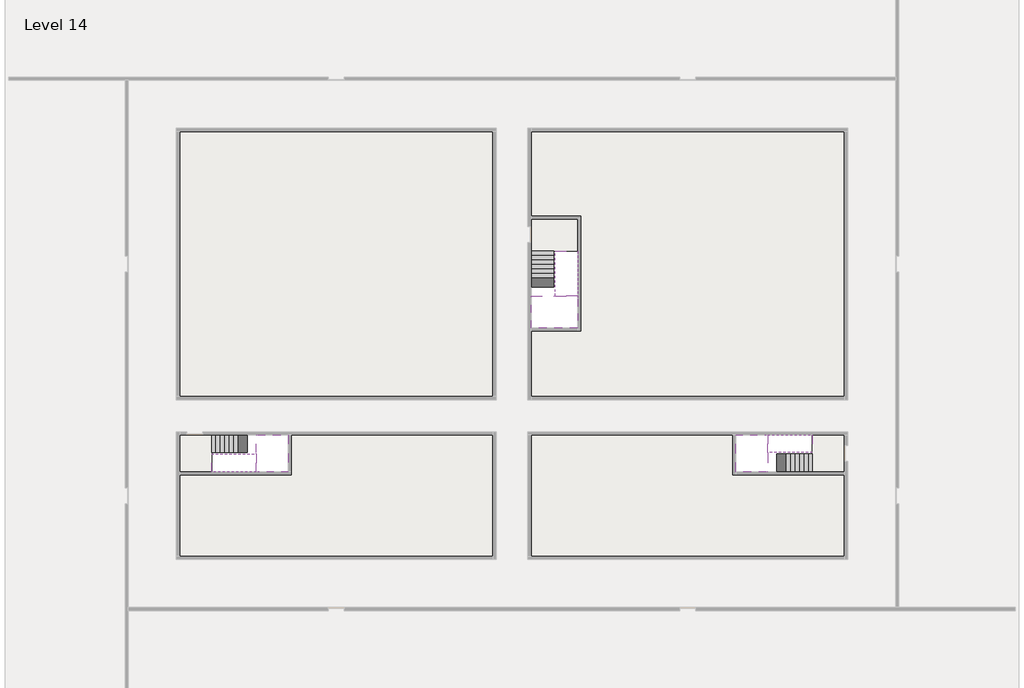
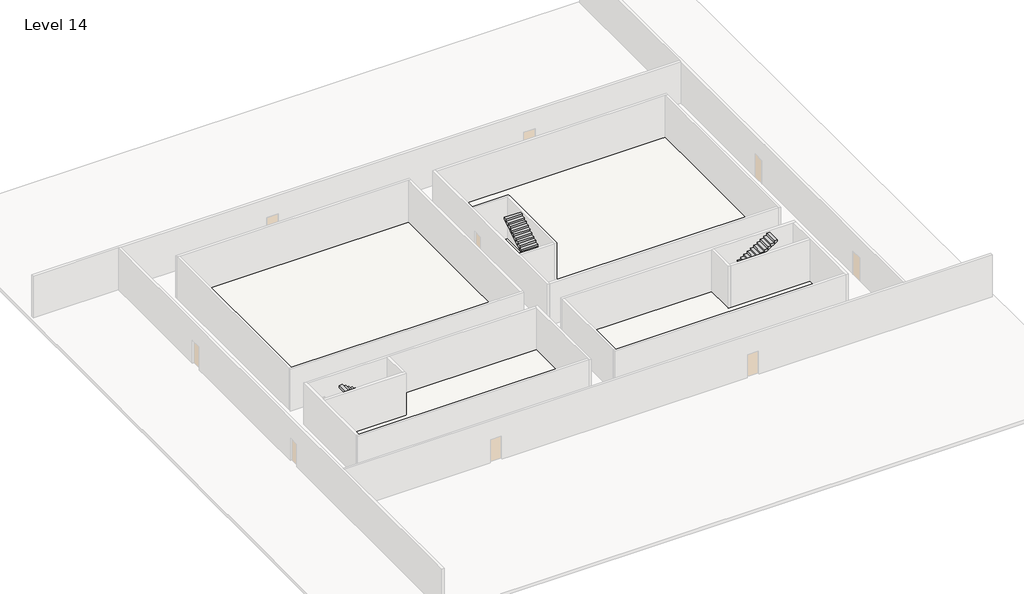
# One storey, part 2 of 2: 6 stair flights, 5 slabs.
"""IFC4 building model written with IfcOpenShell, lengths in millimetres."""

from ifc_helpers import new_model, si_unit, frame, origin, place, context, project, spatial, polyline, outline, extrude, faceted_brep, element, save

model = new_model("IFC4")

# Units and contexts
model_context = context("Model", 3, world=origin())
ifc_project = project(units=[si_unit("LENGTHUNIT", "METRE", prefix="MILLI")], contexts=[model_context])

# Site, building, storey
site = spatial("IfcSite", under=ifc_project)
building = spatial("IfcBuilding", under=site)
storey = spatial("IfcBuildingStorey", under=building, Name="Level 14", Elevation=49400.0)

# Slabs
placement = place(None, origin())
element("IfcSlab", 1, at=placement, inside=storey, context=model_context, shape_type="Brep", body=[
    faceted_brep([(8190.1058784, -42918.09644, 51300.0), (8190.1058784, -44018.09644, 51300.0), (8190.1058784, -44118.09644, 51300.0), (8190.1058784, -45218.09644, 51300.0), (8390.7194421, -45218.09644, 51300.0), (10190.1058784, -45218.09644, 51300.0), (10190.1058784, -42918.09644, 51300.0), (8269.4923146, -42918.09644, 51300.0), (8190.1058784, -42918.09644, 51127.2727273), (8190.1058784, -42918.09644, 50951.0278478), (8190.1058784, -44018.09644, 50951.0278478), (8190.1058784, -44018.09644, 51000.0), (8190.1058784, -44118.09644, 51000.0), (8190.1058784, -44118.09644, 51123.7551205), (8190.1058784, -45218.09644, 51123.7551205), (8390.7194421, -45218.09644, 51000.0), (10190.1058784, -45218.09644, 51000.0), (10190.1058784, -42918.09644, 51000.0), (8269.4923146, -42918.09644, 51000.0), (8390.7194421, -44118.09644, 51000.0), (8269.4923146, -44018.09644, 51000.0)], [[[0, 1, 2, 3, 4, 5, 6, 7]], [[1, 0, 8, 9, 10, 11]], [[2, 1, 11, 12, 13]], [[3, 2, 13, 14]], [[3, 14, 15, 16, 5, 4]], [[6, 5, 16, 17]], [[9, 8, 0, 7, 6, 17, 18]], [[19, 12, 11, 20, 18, 17, 16, 15]], [[12, 19, 13]], [[18, 20, 10, 9]], [[20, 11, 10]], [[19, 15, 14, 13]]]),
])
element("IfcSlab", 2, at=placement, inside=storey, context=model_context, shape_type="Brep", body=[
    faceted_brep([(40190.1058784, -45218.09644, 51300.0), (40190.1058784, -44118.09644, 51300.0), (40190.1058784, -44018.09644, 51300.0), (40190.1058784, -42918.09644, 51300.0), (39989.4923146, -42918.09644, 51300.0), (38190.1058784, -42918.09644, 51300.0), (38190.1058784, -45218.09644, 51300.0), (40110.7194421, -45218.09644, 51300.0), (40190.1058784, -45218.09644, 51127.2727273), (40190.1058784, -45218.09644, 50951.0278478), (40190.1058784, -44118.09644, 50951.0278478), (40190.1058784, -44118.09644, 51000.0), (40190.1058784, -44018.09644, 51000.0), (40190.1058784, -44018.09644, 51123.7551205), (40190.1058784, -42918.09644, 51123.7551205), (39989.4923146, -42918.09644, 51000.0), (38190.1058784, -42918.09644, 51000.0), (38190.1058784, -45218.09644, 51000.0), (40110.7194421, -45218.09644, 51000.0), (39989.4923146, -44018.09644, 51000.0), (40110.7194421, -44118.09644, 51000.0)], [[[0, 1, 2, 3, 4, 5, 6, 7]], [[1, 0, 8, 9, 10, 11]], [[2, 1, 11, 12, 13]], [[3, 2, 13, 14]], [[3, 14, 15, 16, 5, 4]], [[6, 5, 16, 17]], [[9, 8, 0, 7, 6, 17, 18]], [[19, 12, 11, 20, 18, 17, 16, 15]], [[12, 19, 13]], [[18, 20, 10, 9]], [[20, 11, 10]], [[19, 15, 14, 13]]]),
])
element("IfcSlab", 3, at=placement, inside=storey, context=model_context, shape_type="Brep", body=[
    faceted_brep([(26790.1058784, -34218.09644, 51300.0), (25390.1058784, -34218.09644, 51300.0), (25390.1058784, -34297.4828763, 51300.0), (25390.1058784, -36218.09644, 51300.0), (28290.1058784, -36218.09644, 51300.0), (28290.1058784, -34418.7100038, 51300.0), (28290.1058784, -34218.09644, 51300.0), (26890.1058784, -34218.09644, 51300.0), (26790.1058784, -34218.09644, 51000.0), (26790.1058784, -34218.09644, 50951.0278478), (25390.1058784, -34218.09644, 50951.0278478), (25390.1058784, -34218.09644, 51127.2727273), (25390.1058784, -34297.4828763, 51000.0), (25390.1058784, -36218.09644, 51000.0), (28290.1058784, -36218.09644, 51000.0), (28290.1058784, -34418.7100038, 51000.0), (28290.1058784, -34218.09644, 51123.7551205), (26890.1058784, -34218.09644, 51123.7551205), (26890.1058784, -34218.09644, 51000.0), (26890.1058784, -34418.7100038, 51000.0), (26790.1058784, -34297.4828763, 51000.0)], [[[0, 1, 2, 3, 4, 5, 6, 7]], [[1, 0, 8, 9, 10, 11]], [[1, 11, 10, 12, 13, 3, 2]], [[4, 3, 13, 14]], [[4, 14, 15, 16, 6, 5]], [[7, 6, 16, 17]], [[0, 7, 17, 18, 8]], [[18, 19, 15, 14, 13, 12, 20, 8]], [[19, 18, 17]], [[20, 12, 10, 9]], [[8, 20, 9]], [[15, 19, 17, 16]]]),
])
element("IfcSlab", 4, at=placement, inside=storey, context=model_context, shape_type="SweptSolid", body=[
    extrude(outline(polyline([(22990.1058784, -23918.09644), (22990.1058784, -40518.09644), (3390.1058784, -40518.09644), (3390.1058784, -23918.09644), (22990.1058784, -23918.09644)])), frame((0.0, 0.0, 49100.0), z_axis=(0.0, 0.0, 1.0), x_axis=(1.0, 0.0, 0.0)), (0.0, 0.0, 1.0), 300.0),
    extrude(outline(polyline([(44990.1058784, -23918.09644), (44990.1058784, -40518.09644), (25390.1058784, -40518.09644), (25390.1058784, -36418.09644), (28490.1058784, -36418.09644), (28490.1058784, -29218.09644), (25390.1058784, -29218.09644), (25390.1058784, -23918.09644), (44990.1058784, -23918.09644)])), frame((0.0, 0.0, 49100.0), z_axis=(0.0, 0.0, 1.0), x_axis=(1.0, 0.0, 0.0)), (0.0, 0.0, 1.0), 300.0),
    extrude(outline(polyline([(22990.1058784, -42918.09644), (22990.1058784, -50518.09644), (3390.1058784, -50518.09644), (3390.1058784, -45418.09644), (10390.1058784, -45418.09644), (10390.1058784, -42918.09644), (22990.1058784, -42918.09644)])), frame((0.0, 0.0, 49100.0), z_axis=(0.0, 0.0, 1.0), x_axis=(1.0, 0.0, 0.0)), (0.0, 0.0, 1.0), 300.0),
    extrude(outline(polyline([(37990.1058784, -42918.09644), (37990.1058784, -45418.09644), (44990.1058784, -45418.09644), (44990.1058784, -50518.09644), (25390.1058784, -50518.09644), (25390.1058784, -42918.09644), (37990.1058784, -42918.09644)])), frame((0.0, 0.0, 49100.0), z_axis=(0.0, 0.0, 1.0), x_axis=(1.0, 0.0, 0.0)), (0.0, 0.0, 1.0), 300.0),
])
element("IfcSlab", 5, at=placement, inside=storey, context=model_context, shape_type="SweptSolid", body=[
    extrude(outline(polyline([(44990.1058784, -42918.09644), (44990.1058784, -45218.09644), (42990.1058784, -45218.09644), (42990.1058784, -42918.09644), (44990.1058784, -42918.09644)])), frame((0.0, 0.0, 49100.0), z_axis=(0.0, 0.0, 1.0), x_axis=(1.0, 0.0, 0.0)), (0.0, 0.0, 1.0), 300.0),
    extrude(outline(polyline([(5390.1058784, -42918.09644), (5390.1058784, -45218.09644), (3390.1058784, -45218.09644), (3390.1058784, -42918.09644), (5390.1058784, -42918.09644)])), frame((0.0, 0.0, 49100.0), z_axis=(0.0, 0.0, 1.0), x_axis=(1.0, 0.0, 0.0)), (0.0, 0.0, 1.0), 300.0),
    extrude(outline(polyline([(28290.1058784, -29418.09644), (28290.1058784, -31418.09644), (25390.1058784, -31418.09644), (25390.1058784, -29418.09644), (28290.1058784, -29418.09644)])), frame((0.0, 0.0, 49100.0), z_axis=(0.0, 0.0, 1.0), x_axis=(1.0, 0.0, 0.0)), (0.0, 0.0, 1.0), 300.0),
])

# Stair flights
element("IfcStairFlight", 6, at=placement, inside=storey, context=model_context, shape_type="Brep", body=[
    faceted_brep([(5670.1058784, -42918.09644, 49572.7272727), (5390.1058784, -42918.09644, 49572.7272727), (5390.1058784, -44018.09644, 49572.7272727), (5670.1058784, -44018.09644, 49572.7272727), (5670.1058784, -42918.09644, 49400.0), (5390.1058784, -42918.09644, 49400.0), (5390.1058784, -44018.09644, 49400.0), (5670.1058784, -44018.09644, 49400.0), (5950.1058784, -42918.09644, 49745.4545455), (5670.1058784, -42918.09644, 49745.4545455), (5670.1058784, -44018.09644, 49745.4545455), (5950.1058784, -44018.09644, 49745.4545455), (5950.1058784, -42918.09644, 49569.209666), (5675.8081041, -42918.09644, 49400.0), (5675.8081041, -44018.09644, 49400.0), (5950.1058784, -44018.09644, 49569.209666), (6230.1058784, -42918.09644, 49918.1818182), (5950.1058784, -42918.09644, 49918.1818182), (5950.1058784, -44018.09644, 49918.1818182), (6230.1058784, -44018.09644, 49918.1818182), (6230.1058784, -42918.09644, 49741.9369387), (6230.1058784, -44018.09644, 49741.9369387), (6510.1058784, -42918.09644, 50090.9090909), (6230.1058784, -42918.09644, 50090.9090909), (6230.1058784, -44018.09644, 50090.9090909), (6510.1058784, -44018.09644, 50090.9090909), (6510.1058784, -42918.09644, 49914.6642114), (6510.1058784, -44018.09644, 49914.6642114), (6790.1058784, -42918.09644, 50263.6363636), (6510.1058784, -42918.09644, 50263.6363636), (6510.1058784, -44018.09644, 50263.6363636), (6790.1058784, -44018.09644, 50263.6363636), (6790.1058784, -42918.09644, 50087.3914841), (6790.1058784, -44018.09644, 50087.3914841), (7070.1058784, -42918.09644, 50436.3636364), (6790.1058784, -42918.09644, 50436.3636364), (6790.1058784, -44018.09644, 50436.3636364), (7070.1058784, -44018.09644, 50436.3636364), (7070.1058784, -42918.09644, 50260.1187569), (7070.1058784, -44018.09644, 50260.1187569), (7350.1058784, -42918.09644, 50609.0909091), (7070.1058784, -42918.09644, 50609.0909091), (7070.1058784, -44018.09644, 50609.0909091), (7350.1058784, -44018.09644, 50609.0909091), (7350.1058784, -42918.09644, 50432.8460296), (7350.1058784, -44018.09644, 50432.8460296), (7630.1058784, -42918.09644, 50781.8181818), (7350.1058784, -42918.09644, 50781.8181818), (7350.1058784, -44018.09644, 50781.8181818), (7630.1058784, -44018.09644, 50781.8181818), (7630.1058784, -42918.09644, 50605.5733023), (7630.1058784, -44018.09644, 50605.5733023), (7910.1058784, -42918.09644, 50954.5454545), (7630.1058784, -42918.09644, 50954.5454545), (7630.1058784, -44018.09644, 50954.5454545), (7910.1058784, -44018.09644, 50954.5454545), (7910.1058784, -42918.09644, 50778.3005751), (7910.1058784, -44018.09644, 50778.3005751), (8190.1058784, -42918.09644, 51127.2727273), (7910.1058784, -42918.09644, 51127.2727273), (7910.1058784, -44018.09644, 51127.2727273), (8190.1058784, -44018.09644, 51127.2727273), (8190.1058784, -42918.09644, 50951.0278478), (8190.1058784, -44018.09644, 50951.0278478), (8190.1058784, -44018.09644, 51000.0)], [[[0, 1, 2, 3]], [[1, 0, 4, 5]], [[2, 1, 5, 6]], [[3, 2, 6, 7]], [[8, 9, 10, 11]], [[4, 0, 9, 8, 12, 13]], [[0, 3, 10, 9]], [[3, 7, 14, 15, 11, 10]], [[16, 17, 18, 19]], [[17, 16, 20, 12, 8]], [[8, 11, 18, 17]], [[19, 18, 11, 15, 21]], [[22, 23, 24, 25]], [[23, 22, 26, 20, 16]], [[16, 19, 24, 23]], [[25, 24, 19, 21, 27]], [[28, 29, 30, 31]], [[29, 28, 32, 26, 22]], [[22, 25, 30, 29]], [[31, 30, 25, 27, 33]], [[34, 35, 36, 37]], [[35, 34, 38, 32, 28]], [[28, 31, 36, 35]], [[37, 36, 31, 33, 39]], [[40, 41, 42, 43]], [[41, 40, 44, 38, 34]], [[34, 37, 42, 41]], [[43, 42, 37, 39, 45]], [[46, 47, 48, 49]], [[47, 46, 50, 44, 40]], [[40, 43, 48, 47]], [[49, 48, 43, 45, 51]], [[52, 53, 54, 55]], [[53, 52, 56, 50, 46]], [[46, 49, 54, 53]], [[55, 54, 49, 51, 57]], [[58, 59, 60, 61]], [[59, 58, 62, 56, 52]], [[52, 55, 60, 59]], [[61, 60, 55, 57, 63, 64]], [[58, 61, 64, 63, 62]], [[5, 4, 13, 14, 7, 6]], [[14, 13, 12, 20, 26, 32, 38, 44, 50, 56, 62, 63, 57, 51, 45, 39, 33, 27, 21, 15]]]),
])
element("IfcStairFlight", 7, at=placement, inside=storey, context=model_context, shape_type="Brep", body=[
    faceted_brep([(7910.1058784, -45218.09644, 51472.7272727), (8190.1058784, -45218.09644, 51472.7272727), (8190.1058784, -44118.09644, 51472.7272727), (7910.1058784, -44118.09644, 51472.7272727), (7910.1058784, -45218.09644, 51296.4823932), (8190.1058784, -45218.09644, 51123.7551205), (8190.1058784, -45218.09644, 51300.0), (8190.1058784, -44118.09644, 51123.7551205), (7910.1058784, -44118.09644, 51296.4823932), (7630.1058784, -45218.09644, 51645.4545455), (7910.1058784, -45218.09644, 51645.4545455), (7910.1058784, -44118.09644, 51645.4545455), (7630.1058784, -44118.09644, 51645.4545455), (7630.1058784, -45218.09644, 51469.209666), (7630.1058784, -44118.09644, 51469.209666), (7350.1058784, -45218.09644, 51818.1818182), (7630.1058784, -45218.09644, 51818.1818182), (7630.1058784, -44118.09644, 51818.1818182), (7350.1058784, -44118.09644, 51818.1818182), (7350.1058784, -45218.09644, 51641.9369387), (7350.1058784, -44118.09644, 51641.9369387), (7070.1058784, -45218.09644, 51990.9090909), (7350.1058784, -45218.09644, 51990.9090909), (7350.1058784, -44118.09644, 51990.9090909), (7070.1058784, -44118.09644, 51990.9090909), (7070.1058784, -45218.09644, 51814.6642114), (7070.1058784, -44118.09644, 51814.6642114), (6790.1058784, -45218.09644, 52163.6363636), (7070.1058784, -45218.09644, 52163.6363636), (7070.1058784, -44118.09644, 52163.6363636), (6790.1058784, -44118.09644, 52163.6363636), (6790.1058784, -45218.09644, 51987.3914841), (6790.1058784, -44118.09644, 51987.3914841), (6510.1058784, -45218.09644, 52336.3636364), (6790.1058784, -45218.09644, 52336.3636364), (6790.1058784, -44118.09644, 52336.3636364), (6510.1058784, -44118.09644, 52336.3636364), (6510.1058784, -45218.09644, 52160.1187569), (6510.1058784, -44118.09644, 52160.1187569), (6230.1058784, -45218.09644, 52509.0909091), (6510.1058784, -45218.09644, 52509.0909091), (6510.1058784, -44118.09644, 52509.0909091), (6230.1058784, -44118.09644, 52509.0909091), (6230.1058784, -45218.09644, 52332.8460296), (6230.1058784, -44118.09644, 52332.8460296), (5950.1058784, -45218.09644, 52681.8181818), (6230.1058784, -45218.09644, 52681.8181818), (6230.1058784, -44118.09644, 52681.8181818), (5950.1058784, -44118.09644, 52681.8181818), (5950.1058784, -45218.09644, 52505.5733023), (5950.1058784, -44118.09644, 52505.5733023), (5670.1058784, -45218.09644, 52854.5454545), (5950.1058784, -45218.09644, 52854.5454545), (5950.1058784, -44118.09644, 52854.5454545), (5670.1058784, -44118.09644, 52854.5454545), (5670.1058784, -45218.09644, 52678.3005751), (5670.1058784, -44118.09644, 52678.3005751), (5390.1058784, -45218.09644, 53027.2727273), (5670.1058784, -45218.09644, 53027.2727273), (5670.1058784, -44118.09644, 53027.2727273), (5390.1058784, -44118.09644, 53027.2727273), (5390.1058784, -45218.09644, 52851.0278478), (5390.1058784, -44118.09644, 52851.0278478)], [[[0, 1, 2, 3]], [[1, 0, 4, 5, 6]], [[2, 1, 6, 5, 7]], [[3, 2, 7, 8]], [[9, 10, 11, 12]], [[10, 9, 13, 4, 0]], [[11, 10, 0, 3]], [[12, 11, 3, 8, 14]], [[15, 16, 17, 18]], [[16, 15, 19, 13, 9]], [[17, 16, 9, 12]], [[18, 17, 12, 14, 20]], [[21, 22, 23, 24]], [[22, 21, 25, 19, 15]], [[23, 22, 15, 18]], [[24, 23, 18, 20, 26]], [[27, 28, 29, 30]], [[28, 27, 31, 25, 21]], [[29, 28, 21, 24]], [[30, 29, 24, 26, 32]], [[33, 34, 35, 36]], [[34, 33, 37, 31, 27]], [[35, 34, 27, 30]], [[36, 35, 30, 32, 38]], [[39, 40, 41, 42]], [[40, 39, 43, 37, 33]], [[41, 40, 33, 36]], [[42, 41, 36, 38, 44]], [[45, 46, 47, 48]], [[46, 45, 49, 43, 39]], [[47, 46, 39, 42]], [[48, 47, 42, 44, 50]], [[51, 52, 53, 54]], [[52, 51, 55, 49, 45]], [[53, 52, 45, 48]], [[54, 53, 48, 50, 56]], [[57, 58, 59, 60]], [[58, 57, 61, 55, 51]], [[59, 58, 51, 54]], [[60, 59, 54, 56, 62]], [[57, 60, 62, 61]], [[5, 4, 13, 19, 25, 31, 37, 43, 49, 55, 61, 62, 56, 50, 44, 38, 32, 26, 20, 14, 8, 7]]]),
])
element("IfcStairFlight", 8, at=placement, inside=storey, context=model_context, shape_type="Brep", body=[
    faceted_brep([(42710.1058784, -45218.09644, 49572.7272727), (42990.1058784, -45218.09644, 49572.7272727), (42990.1058784, -44118.09644, 49572.7272727), (42710.1058784, -44118.09644, 49572.7272727), (42710.1058784, -45218.09644, 49400.0), (42990.1058784, -45218.09644, 49400.0), (42990.1058784, -44118.09644, 49400.0), (42710.1058784, -44118.09644, 49400.0), (42430.1058784, -45218.09644, 49745.4545455), (42710.1058784, -45218.09644, 49745.4545455), (42710.1058784, -44118.09644, 49745.4545455), (42430.1058784, -44118.09644, 49745.4545455), (42430.1058784, -45218.09644, 49569.209666), (42704.4036527, -45218.09644, 49400.0), (42704.4036527, -44118.09644, 49400.0), (42430.1058784, -44118.09644, 49569.209666), (42150.1058784, -45218.09644, 49918.1818182), (42430.1058784, -45218.09644, 49918.1818182), (42430.1058784, -44118.09644, 49918.1818182), (42150.1058784, -44118.09644, 49918.1818182), (42150.1058784, -45218.09644, 49741.9369387), (42150.1058784, -44118.09644, 49741.9369387), (41870.1058784, -45218.09644, 50090.9090909), (42150.1058784, -45218.09644, 50090.9090909), (42150.1058784, -44118.09644, 50090.9090909), (41870.1058784, -44118.09644, 50090.9090909), (41870.1058784, -45218.09644, 49914.6642114), (41870.1058784, -44118.09644, 49914.6642114), (41590.1058784, -45218.09644, 50263.6363636), (41870.1058784, -45218.09644, 50263.6363636), (41870.1058784, -44118.09644, 50263.6363636), (41590.1058784, -44118.09644, 50263.6363636), (41590.1058784, -45218.09644, 50087.3914841), (41590.1058784, -44118.09644, 50087.3914841), (41310.1058784, -45218.09644, 50436.3636364), (41590.1058784, -45218.09644, 50436.3636364), (41590.1058784, -44118.09644, 50436.3636364), (41310.1058784, -44118.09644, 50436.3636364), (41310.1058784, -45218.09644, 50260.1187569), (41310.1058784, -44118.09644, 50260.1187569), (41030.1058784, -45218.09644, 50609.0909091), (41310.1058784, -45218.09644, 50609.0909091), (41310.1058784, -44118.09644, 50609.0909091), (41030.1058784, -44118.09644, 50609.0909091), (41030.1058784, -45218.09644, 50432.8460296), (41030.1058784, -44118.09644, 50432.8460296), (40750.1058784, -45218.09644, 50781.8181818), (41030.1058784, -45218.09644, 50781.8181818), (41030.1058784, -44118.09644, 50781.8181818), (40750.1058784, -44118.09644, 50781.8181818), (40750.1058784, -45218.09644, 50605.5733023), (40750.1058784, -44118.09644, 50605.5733023), (40470.1058784, -45218.09644, 50954.5454545), (40750.1058784, -45218.09644, 50954.5454545), (40750.1058784, -44118.09644, 50954.5454545), (40470.1058784, -44118.09644, 50954.5454545), (40470.1058784, -45218.09644, 50778.3005751), (40470.1058784, -44118.09644, 50778.3005751), (40190.1058784, -45218.09644, 51127.2727273), (40470.1058784, -45218.09644, 51127.2727273), (40470.1058784, -44118.09644, 51127.2727273), (40190.1058784, -44118.09644, 51127.2727273), (40190.1058784, -45218.09644, 50951.0278478), (40190.1058784, -44118.09644, 50951.0278478), (40190.1058784, -44118.09644, 51000.0)], [[[0, 1, 2, 3]], [[1, 0, 4, 5]], [[2, 1, 5, 6]], [[3, 2, 6, 7]], [[8, 9, 10, 11]], [[4, 0, 9, 8, 12, 13]], [[0, 3, 10, 9]], [[3, 7, 14, 15, 11, 10]], [[16, 17, 18, 19]], [[17, 16, 20, 12, 8]], [[8, 11, 18, 17]], [[19, 18, 11, 15, 21]], [[22, 23, 24, 25]], [[23, 22, 26, 20, 16]], [[16, 19, 24, 23]], [[25, 24, 19, 21, 27]], [[28, 29, 30, 31]], [[29, 28, 32, 26, 22]], [[22, 25, 30, 29]], [[31, 30, 25, 27, 33]], [[34, 35, 36, 37]], [[35, 34, 38, 32, 28]], [[28, 31, 36, 35]], [[37, 36, 31, 33, 39]], [[40, 41, 42, 43]], [[41, 40, 44, 38, 34]], [[34, 37, 42, 41]], [[43, 42, 37, 39, 45]], [[46, 47, 48, 49]], [[47, 46, 50, 44, 40]], [[40, 43, 48, 47]], [[49, 48, 43, 45, 51]], [[52, 53, 54, 55]], [[53, 52, 56, 50, 46]], [[46, 49, 54, 53]], [[55, 54, 49, 51, 57]], [[58, 59, 60, 61]], [[59, 58, 62, 56, 52]], [[52, 55, 60, 59]], [[61, 60, 55, 57, 63, 64]], [[58, 61, 64, 63, 62]], [[5, 4, 13, 14, 7, 6]], [[14, 13, 12, 20, 26, 32, 38, 44, 50, 56, 62, 63, 57, 51, 45, 39, 33, 27, 21, 15]]]),
])
element("IfcStairFlight", 9, at=placement, inside=storey, context=model_context, shape_type="Brep", body=[
    faceted_brep([(40470.1058784, -42918.09644, 51472.7272727), (40190.1058784, -42918.09644, 51472.7272727), (40190.1058784, -44018.09644, 51472.7272727), (40470.1058784, -44018.09644, 51472.7272727), (40470.1058784, -42918.09644, 51296.4823932), (40190.1058784, -42918.09644, 51123.7551205), (40190.1058784, -42918.09644, 51300.0), (40190.1058784, -44018.09644, 51123.7551205), (40470.1058784, -44018.09644, 51296.4823932), (40750.1058784, -42918.09644, 51645.4545455), (40470.1058784, -42918.09644, 51645.4545455), (40470.1058784, -44018.09644, 51645.4545455), (40750.1058784, -44018.09644, 51645.4545455), (40750.1058784, -42918.09644, 51469.209666), (40750.1058784, -44018.09644, 51469.209666), (41030.1058784, -42918.09644, 51818.1818182), (40750.1058784, -42918.09644, 51818.1818182), (40750.1058784, -44018.09644, 51818.1818182), (41030.1058784, -44018.09644, 51818.1818182), (41030.1058784, -42918.09644, 51641.9369387), (41030.1058784, -44018.09644, 51641.9369387), (41310.1058784, -42918.09644, 51990.9090909), (41030.1058784, -42918.09644, 51990.9090909), (41030.1058784, -44018.09644, 51990.9090909), (41310.1058784, -44018.09644, 51990.9090909), (41310.1058784, -42918.09644, 51814.6642114), (41310.1058784, -44018.09644, 51814.6642114), (41590.1058784, -42918.09644, 52163.6363636), (41310.1058784, -42918.09644, 52163.6363636), (41310.1058784, -44018.09644, 52163.6363636), (41590.1058784, -44018.09644, 52163.6363636), (41590.1058784, -42918.09644, 51987.3914841), (41590.1058784, -44018.09644, 51987.3914841), (41870.1058784, -42918.09644, 52336.3636364), (41590.1058784, -42918.09644, 52336.3636364), (41590.1058784, -44018.09644, 52336.3636364), (41870.1058784, -44018.09644, 52336.3636364), (41870.1058784, -42918.09644, 52160.1187569), (41870.1058784, -44018.09644, 52160.1187569), (42150.1058784, -42918.09644, 52509.0909091), (41870.1058784, -42918.09644, 52509.0909091), (41870.1058784, -44018.09644, 52509.0909091), (42150.1058784, -44018.09644, 52509.0909091), (42150.1058784, -42918.09644, 52332.8460296), (42150.1058784, -44018.09644, 52332.8460296), (42430.1058784, -42918.09644, 52681.8181818), (42150.1058784, -42918.09644, 52681.8181818), (42150.1058784, -44018.09644, 52681.8181818), (42430.1058784, -44018.09644, 52681.8181818), (42430.1058784, -42918.09644, 52505.5733023), (42430.1058784, -44018.09644, 52505.5733023), (42710.1058784, -42918.09644, 52854.5454545), (42430.1058784, -42918.09644, 52854.5454545), (42430.1058784, -44018.09644, 52854.5454545), (42710.1058784, -44018.09644, 52854.5454545), (42710.1058784, -42918.09644, 52678.3005751), (42710.1058784, -44018.09644, 52678.3005751), (42990.1058784, -42918.09644, 53027.2727273), (42710.1058784, -42918.09644, 53027.2727273), (42710.1058784, -44018.09644, 53027.2727273), (42990.1058784, -44018.09644, 53027.2727273), (42990.1058784, -42918.09644, 52851.0278478), (42990.1058784, -44018.09644, 52851.0278478)], [[[0, 1, 2, 3]], [[1, 0, 4, 5, 6]], [[2, 1, 6, 5, 7]], [[3, 2, 7, 8]], [[9, 10, 11, 12]], [[10, 9, 13, 4, 0]], [[11, 10, 0, 3]], [[12, 11, 3, 8, 14]], [[15, 16, 17, 18]], [[16, 15, 19, 13, 9]], [[17, 16, 9, 12]], [[18, 17, 12, 14, 20]], [[21, 22, 23, 24]], [[22, 21, 25, 19, 15]], [[23, 22, 15, 18]], [[24, 23, 18, 20, 26]], [[27, 28, 29, 30]], [[28, 27, 31, 25, 21]], [[29, 28, 21, 24]], [[30, 29, 24, 26, 32]], [[33, 34, 35, 36]], [[34, 33, 37, 31, 27]], [[35, 34, 27, 30]], [[36, 35, 30, 32, 38]], [[39, 40, 41, 42]], [[40, 39, 43, 37, 33]], [[41, 40, 33, 36]], [[42, 41, 36, 38, 44]], [[45, 46, 47, 48]], [[46, 45, 49, 43, 39]], [[47, 46, 39, 42]], [[48, 47, 42, 44, 50]], [[51, 52, 53, 54]], [[52, 51, 55, 49, 45]], [[53, 52, 45, 48]], [[54, 53, 48, 50, 56]], [[57, 58, 59, 60]], [[58, 57, 61, 55, 51]], [[59, 58, 51, 54]], [[60, 59, 54, 56, 62]], [[57, 60, 62, 61]], [[5, 4, 13, 19, 25, 31, 37, 43, 49, 55, 61, 62, 56, 50, 44, 38, 32, 26, 20, 14, 8, 7]]]),
])
element("IfcStairFlight", 10, at=placement, inside=storey, context=model_context, shape_type="Brep", body=[
    faceted_brep([(26790.1058784, -31698.09644, 49572.7272727), (26790.1058784, -31418.09644, 49572.7272727), (25390.1058784, -31418.09644, 49572.7272727), (25390.1058784, -31698.09644, 49572.7272727), (26790.1058784, -31698.09644, 49400.0), (26790.1058784, -31418.09644, 49400.0), (25390.1058784, -31418.09644, 49400.0), (25390.1058784, -31698.09644, 49400.0), (26790.1058784, -31978.09644, 49745.4545455), (26790.1058784, -31698.09644, 49745.4545455), (25390.1058784, -31698.09644, 49745.4545455), (25390.1058784, -31978.09644, 49745.4545455), (26790.1058784, -31978.09644, 49569.209666), (26790.1058784, -31703.7986657, 49400.0), (25390.1058784, -31703.7986657, 49400.0), (25390.1058784, -31978.09644, 49569.209666), (26790.1058784, -32258.09644, 49918.1818182), (26790.1058784, -31978.09644, 49918.1818182), (25390.1058784, -31978.09644, 49918.1818182), (25390.1058784, -32258.09644, 49918.1818182), (26790.1058784, -32258.09644, 49741.9369387), (25390.1058784, -32258.09644, 49741.9369387), (26790.1058784, -32538.09644, 50090.9090909), (26790.1058784, -32258.09644, 50090.9090909), (25390.1058784, -32258.09644, 50090.9090909), (25390.1058784, -32538.09644, 50090.9090909), (26790.1058784, -32538.09644, 49914.6642114), (25390.1058784, -32538.09644, 49914.6642114), (26790.1058784, -32818.09644, 50263.6363636), (26790.1058784, -32538.09644, 50263.6363636), (25390.1058784, -32538.09644, 50263.6363636), (25390.1058784, -32818.09644, 50263.6363636), (26790.1058784, -32818.09644, 50087.3914841), (25390.1058784, -32818.09644, 50087.3914841), (26790.1058784, -33098.09644, 50436.3636364), (26790.1058784, -32818.09644, 50436.3636364), (25390.1058784, -32818.09644, 50436.3636364), (25390.1058784, -33098.09644, 50436.3636364), (26790.1058784, -33098.09644, 50260.1187569), (25390.1058784, -33098.09644, 50260.1187569), (26790.1058784, -33378.09644, 50609.0909091), (26790.1058784, -33098.09644, 50609.0909091), (25390.1058784, -33098.09644, 50609.0909091), (25390.1058784, -33378.09644, 50609.0909091), (26790.1058784, -33378.09644, 50432.8460296), (25390.1058784, -33378.09644, 50432.8460296), (26790.1058784, -33658.09644, 50781.8181818), (26790.1058784, -33378.09644, 50781.8181818), (25390.1058784, -33378.09644, 50781.8181818), (25390.1058784, -33658.09644, 50781.8181818), (26790.1058784, -33658.09644, 50605.5733023), (25390.1058784, -33658.09644, 50605.5733023), (26790.1058784, -33938.09644, 50954.5454545), (26790.1058784, -33658.09644, 50954.5454545), (25390.1058784, -33658.09644, 50954.5454545), (25390.1058784, -33938.09644, 50954.5454545), (26790.1058784, -33938.09644, 50778.3005751), (25390.1058784, -33938.09644, 50778.3005751), (26790.1058784, -34218.09644, 51127.2727273), (26790.1058784, -33938.09644, 51127.2727273), (25390.1058784, -33938.09644, 51127.2727273), (25390.1058784, -34218.09644, 51127.2727273), (26790.1058784, -34218.09644, 51000.0), (26790.1058784, -34218.09644, 50951.0278478), (25390.1058784, -34218.09644, 50951.0278478)], [[[0, 1, 2, 3]], [[1, 0, 4, 5]], [[2, 1, 5, 6]], [[3, 2, 6, 7]], [[8, 9, 10, 11]], [[4, 0, 9, 8, 12, 13]], [[0, 3, 10, 9]], [[3, 7, 14, 15, 11, 10]], [[16, 17, 18, 19]], [[17, 16, 20, 12, 8]], [[8, 11, 18, 17]], [[19, 18, 11, 15, 21]], [[22, 23, 24, 25]], [[23, 22, 26, 20, 16]], [[16, 19, 24, 23]], [[25, 24, 19, 21, 27]], [[28, 29, 30, 31]], [[29, 28, 32, 26, 22]], [[22, 25, 30, 29]], [[31, 30, 25, 27, 33]], [[34, 35, 36, 37]], [[35, 34, 38, 32, 28]], [[28, 31, 36, 35]], [[37, 36, 31, 33, 39]], [[40, 41, 42, 43]], [[41, 40, 44, 38, 34]], [[34, 37, 42, 41]], [[43, 42, 37, 39, 45]], [[46, 47, 48, 49]], [[47, 46, 50, 44, 40]], [[40, 43, 48, 47]], [[49, 48, 43, 45, 51]], [[52, 53, 54, 55]], [[53, 52, 56, 50, 46]], [[46, 49, 54, 53]], [[55, 54, 49, 51, 57]], [[58, 59, 60, 61]], [[59, 58, 62, 63, 56, 52]], [[52, 55, 60, 59]], [[61, 60, 55, 57, 64]], [[58, 61, 64, 63, 62]], [[5, 4, 13, 14, 7, 6]], [[14, 13, 12, 20, 26, 32, 38, 44, 50, 56, 63, 64, 57, 51, 45, 39, 33, 27, 21, 15]]]),
])
element("IfcStairFlight", 11, at=placement, inside=storey, context=model_context, shape_type="Brep", body=[
    faceted_brep([(26890.1058784, -33938.09644, 51472.7272727), (26890.1058784, -34218.09644, 51472.7272727), (28290.1058784, -34218.09644, 51472.7272727), (28290.1058784, -33938.09644, 51472.7272727), (26890.1058784, -33938.09644, 51296.4823932), (26890.1058784, -34218.09644, 51123.7551205), (28290.1058784, -34218.09644, 51123.7551205), (28290.1058784, -34218.09644, 51300.0), (28290.1058784, -33938.09644, 51296.4823932), (26890.1058784, -33658.09644, 51645.4545455), (26890.1058784, -33938.09644, 51645.4545455), (28290.1058784, -33938.09644, 51645.4545455), (28290.1058784, -33658.09644, 51645.4545455), (26890.1058784, -33658.09644, 51469.209666), (28290.1058784, -33658.09644, 51469.209666), (26890.1058784, -33378.09644, 51818.1818182), (26890.1058784, -33658.09644, 51818.1818182), (28290.1058784, -33658.09644, 51818.1818182), (28290.1058784, -33378.09644, 51818.1818182), (26890.1058784, -33378.09644, 51641.9369387), (28290.1058784, -33378.09644, 51641.9369387), (26890.1058784, -33098.09644, 51990.9090909), (26890.1058784, -33378.09644, 51990.9090909), (28290.1058784, -33378.09644, 51990.9090909), (28290.1058784, -33098.09644, 51990.9090909), (26890.1058784, -33098.09644, 51814.6642114), (28290.1058784, -33098.09644, 51814.6642114), (26890.1058784, -32818.09644, 52163.6363636), (26890.1058784, -33098.09644, 52163.6363636), (28290.1058784, -33098.09644, 52163.6363636), (28290.1058784, -32818.09644, 52163.6363636), (26890.1058784, -32818.09644, 51987.3914841), (28290.1058784, -32818.09644, 51987.3914841), (26890.1058784, -32538.09644, 52336.3636364), (26890.1058784, -32818.09644, 52336.3636364), (28290.1058784, -32818.09644, 52336.3636364), (28290.1058784, -32538.09644, 52336.3636364), (26890.1058784, -32538.09644, 52160.1187569), (28290.1058784, -32538.09644, 52160.1187569), (26890.1058784, -32258.09644, 52509.0909091), (26890.1058784, -32538.09644, 52509.0909091), (28290.1058784, -32538.09644, 52509.0909091), (28290.1058784, -32258.09644, 52509.0909091), (26890.1058784, -32258.09644, 52332.8460296), (28290.1058784, -32258.09644, 52332.8460296), (26890.1058784, -31978.09644, 52681.8181818), (26890.1058784, -32258.09644, 52681.8181818), (28290.1058784, -32258.09644, 52681.8181818), (28290.1058784, -31978.09644, 52681.8181818), (26890.1058784, -31978.09644, 52505.5733023), (28290.1058784, -31978.09644, 52505.5733023), (26890.1058784, -31698.09644, 52854.5454545), (26890.1058784, -31978.09644, 52854.5454545), (28290.1058784, -31978.09644, 52854.5454545), (28290.1058784, -31698.09644, 52854.5454545), (26890.1058784, -31698.09644, 52678.3005751), (28290.1058784, -31698.09644, 52678.3005751), (26890.1058784, -31418.09644, 53027.2727273), (26890.1058784, -31698.09644, 53027.2727273), (28290.1058784, -31698.09644, 53027.2727273), (28290.1058784, -31418.09644, 53027.2727273), (26890.1058784, -31418.09644, 52851.0278478), (28290.1058784, -31418.09644, 52851.0278478)], [[[0, 1, 2, 3]], [[1, 0, 4, 5]], [[2, 1, 5, 6, 7]], [[3, 2, 7, 6, 8]], [[9, 10, 11, 12]], [[10, 9, 13, 4, 0]], [[11, 10, 0, 3]], [[12, 11, 3, 8, 14]], [[15, 16, 17, 18]], [[16, 15, 19, 13, 9]], [[17, 16, 9, 12]], [[18, 17, 12, 14, 20]], [[21, 22, 23, 24]], [[22, 21, 25, 19, 15]], [[23, 22, 15, 18]], [[24, 23, 18, 20, 26]], [[27, 28, 29, 30]], [[28, 27, 31, 25, 21]], [[29, 28, 21, 24]], [[30, 29, 24, 26, 32]], [[33, 34, 35, 36]], [[34, 33, 37, 31, 27]], [[35, 34, 27, 30]], [[36, 35, 30, 32, 38]], [[39, 40, 41, 42]], [[40, 39, 43, 37, 33]], [[41, 40, 33, 36]], [[42, 41, 36, 38, 44]], [[45, 46, 47, 48]], [[46, 45, 49, 43, 39]], [[47, 46, 39, 42]], [[48, 47, 42, 44, 50]], [[51, 52, 53, 54]], [[52, 51, 55, 49, 45]], [[53, 52, 45, 48]], [[54, 53, 48, 50, 56]], [[57, 58, 59, 60]], [[58, 57, 61, 55, 51]], [[59, 58, 51, 54]], [[60, 59, 54, 56, 62]], [[57, 60, 62, 61]], [[5, 4, 13, 19, 25, 31, 37, 43, 49, 55, 61, 62, 56, 50, 44, 38, 32, 26, 20, 14, 8, 6]]]),
])

save(model, "model.ifc")
